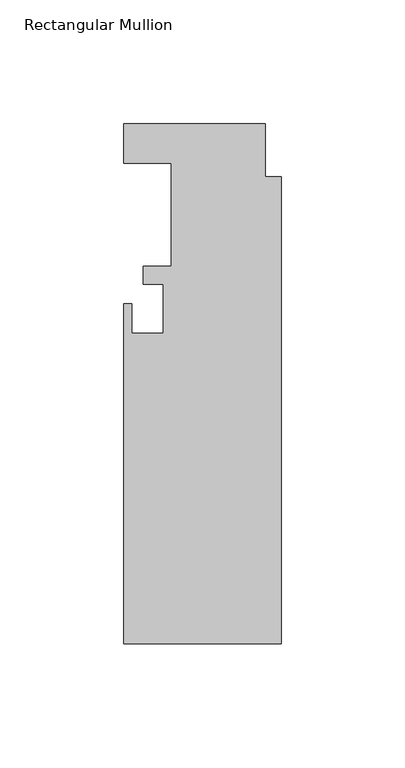
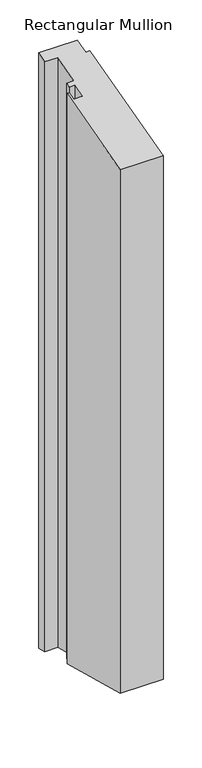
"""IFC4 building model written with IfcOpenShell, lengths in millimetres: member geometry, Rectangular Mullion."""

from ifc_helpers import new_model, si_unit, origin, place, context, project, spatial, faceted_brep, source, transform, mapped, element, save


def rectangular_mullion_3ca8ddee(model_context):
    return source(origin(), model_context, "Body", "Brep", [
        faceted_brep([(-44.45, 4.8458438, 1.2984399), (-63.5, 4.8458438, 1.2984399), (-63.5, 4.8458438, -925.7380736), (-44.45, 4.8458438, -925.7380736), (-44.45, -36.8101562, -9.8632516), (-44.45, -36.8101562, -914.576382), (-55.5752, -36.8101562, -9.8632516), (-55.5752, -36.8101562, -914.576382), (-55.5752, -43.9729562, -11.7825181), (-55.5752, -43.9729562, -912.6571155), (-47.625, -43.9729562, -11.7825181), (-47.625, -43.9729562, -912.6571155), (-47.625, -63.7849562, -17.0911275), (-47.625, -63.7849562, -907.3485061), (-60.325, -63.7849562, -17.0911275), (-60.325, -63.7849562, -907.3485061), (-60.325, -51.8723562, -13.899156), (-60.325, -51.8723562, -910.5404777), (-63.5, -51.8723562, -13.899156), (-63.5, -51.8723562, -910.5404777), (-63.5, -189.2101562, -50.6987086), (-63.5, -189.2101562, -873.7409251), (0.0, -189.2101562, -50.6987086), (0.0, -189.2101562, -873.7409251), (0.0, -0.5643562, -0.1512188), (0.0, -0.5643562, -924.2884148), (-6.35, -0.5643562, -0.1512188), (-6.35, -0.5643562, -924.2884148), (-6.35, 20.7208438, 5.5521333), (-6.35, 20.7208438, -929.991767), (-63.5, 20.7208438, 5.5521333), (-63.5, 20.7208438, -929.991767)], [[[0, 1, 2, 3]], [[4, 0, 3, 5]], [[6, 4, 5, 7]], [[8, 6, 7, 9]], [[10, 8, 9, 11]], [[12, 10, 11, 13]], [[14, 12, 13, 15]], [[16, 14, 15, 17]], [[18, 16, 17, 19]], [[20, 18, 19, 21]], [[22, 20, 21, 23]], [[24, 22, 23, 25]], [[26, 24, 25, 27]], [[28, 26, 27, 29]], [[30, 28, 29, 31]], [[1, 30, 31, 2]], [[1, 0, 4, 6, 8, 10, 12, 14, 16, 18, 20, 22, 24, 26, 28, 30]], [[2, 31, 29, 27, 25, 23, 21, 19, 17, 15, 13, 11, 9, 7, 5, 3]]]),
    ])


if __name__ == "__main__":
    model = new_model("IFC4")
    model_context = context("Model", 3, world=origin())
    ifc_project = project(units=[si_unit("LENGTHUNIT", "METRE", prefix="MILLI")], contexts=[model_context])
    site = spatial("IfcSite", under=ifc_project)
    building = spatial("IfcBuilding", under=site)
    placement = place(None, origin())
    rectangular_mullion_shape = rectangular_mullion_3ca8ddee(model_context)
    element("IfcMember", 1, ObjectType="Rectangular Mullion", at=placement, inside=building, context=model_context, shape_type="MappedRepresentation", body=[
        mapped(rectangular_mullion_shape, transform((0.0, 0.0, 0.0), x_axis=(1.0, 0.0, 0.0), y_axis=(0.0, 1.0, 0.0), z_axis=(0.0, 0.0, 1.0))),
    ])
    save(model, "model.ifc")
